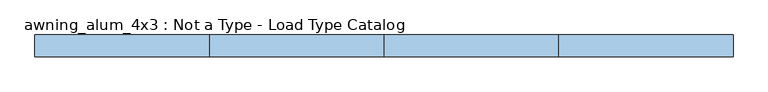
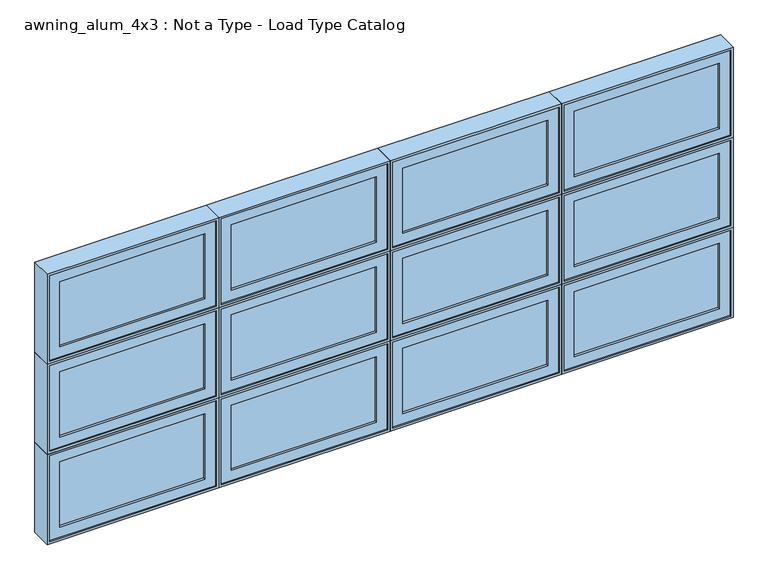
"""IFC4 building model written with IfcOpenShell, lengths in millimetres: window geometry, awning_alum_4x3 : Not a Type - Load Type Catalog."""

from ifc_helpers import new_model, si_unit, frame, origin, place, context, project, spatial, polyline, outline, extrude, faceted_brep, source, transform, mapped, element, save


def awning_alum_4x3_not_a_type_load_type_catalog_3d29223f(model_context):
    return source(origin(), model_context, "Body", "SolidModel", [
        faceted_brep([(140.1218234, -42.8625, 1943.1), (-748.8781766, -42.8625, 1943.1), (-748.8781766, -93.6625, 1943.1), (140.1218234, -93.6625, 1943.1), (121.0718234, 20.6375, 1962.15), (-729.8281766, 20.6375, 1962.15), (-729.8281766, -42.8625, 1962.15), (121.0718234, -42.8625, 1962.15), (152.8218234, -93.6625, 1930.4), (-761.5781766, -93.6625, 1930.4), (-761.5781766, 20.6375, 1930.4), (152.8218234, 20.6375, 1930.4), (-748.8781766, -42.8625, 2425.7), (-748.8781766, -93.6625, 2425.7), (-729.8281766, 20.6375, 2406.65), (-729.8281766, -42.8625, 2406.65), (-761.5781766, -93.6625, 2438.4), (-761.5781766, 20.6375, 2438.4), (140.1218234, -42.8625, 2425.7), (140.1218234, -93.6625, 2425.7), (121.0718234, 20.6375, 2406.65), (121.0718234, -42.8625, 2406.65), (152.8218234, -93.6625, 2438.4), (152.8218234, 20.6375, 2438.4)], [[[0, 1, 2, 3]], [[4, 5, 6, 7]], [[8, 9, 10, 11]], [[1, 12, 13, 2]], [[5, 14, 15, 6]], [[9, 16, 17, 10]], [[12, 18, 19, 13]], [[14, 20, 21, 15]], [[16, 22, 23, 17]], [[9, 8, 22, 16], [3, 2, 13, 19]], [[18, 0, 3, 19]], [[1, 0, 18, 12], [7, 6, 15, 21]], [[20, 4, 7, 21]], [[11, 10, 17, 23], [5, 4, 20, 14]], [[22, 8, 11, 23]]]),
        extrude(outline(polyline([(82.9718234, -74.6125), (-691.7281766, -74.6125), (-691.7281766, -68.2625), (82.9718234, -68.2625), (82.9718234, -74.6125)])), frame((0.0, 0.0, 2000.25), z_axis=(0.0, 0.0, 1.0), x_axis=(1.0, 0.0, 0.0)), (0.0, 0.0, 1.0), 368.3),
        extrude(outline(polyline([(82.9718234, -61.9125), (-691.7281766, -61.9125), (-691.7281766, -55.5625), (82.9718234, -55.5625), (82.9718234, -61.9125)])), frame((0.0, 0.0, 2000.25), z_axis=(0.0, 0.0, 1.0), x_axis=(1.0, 0.0, 0.0)), (0.0, 0.0, 1.0), 368.3),
        extrude(outline(polyline([(2425.7, -748.8781766), (1943.1, -748.8781766), (1943.1, 140.1218234), (2425.7, 140.1218234), (2425.7, -748.8781766)]), holes=[polyline([(2000.25, -691.7281766), (2368.55, -691.7281766), (2368.55, 82.9718234), (2000.25, 82.9718234), (2000.25, -691.7281766)])]), frame((0.0, -87.3125, 0.0), z_axis=(0.0, 1.0, 0.0), x_axis=(0.0, 0.0, 1.0)), (0.0, 0.0, 1.0), 44.45),
        faceted_brep([(140.1218234, -42.8625, 1435.1), (-748.8781766, -42.8625, 1435.1), (-748.8781766, -93.6625, 1435.1), (140.1218234, -93.6625, 1435.1), (121.0718234, 20.6375, 1454.15), (-729.8281766, 20.6375, 1454.15), (-729.8281766, -42.8625, 1454.15), (121.0718234, -42.8625, 1454.15), (152.8218234, -93.6625, 1422.4), (-761.5781766, -93.6625, 1422.4), (-761.5781766, 20.6375, 1422.4), (152.8218234, 20.6375, 1422.4), (-748.8781766, -42.8625, 1917.7), (-748.8781766, -93.6625, 1917.7), (-729.8281766, 20.6375, 1898.65), (-729.8281766, -42.8625, 1898.65), (-761.5781766, -93.6625, 1930.4), (-761.5781766, 20.6375, 1930.4), (140.1218234, -42.8625, 1917.7), (140.1218234, -93.6625, 1917.7), (121.0718234, 20.6375, 1898.65), (121.0718234, -42.8625, 1898.65), (152.8218234, -93.6625, 1930.4), (152.8218234, 20.6375, 1930.4)], [[[0, 1, 2, 3]], [[4, 5, 6, 7]], [[8, 9, 10, 11]], [[1, 12, 13, 2]], [[5, 14, 15, 6]], [[9, 16, 17, 10]], [[12, 18, 19, 13]], [[14, 20, 21, 15]], [[16, 22, 23, 17]], [[9, 8, 22, 16], [3, 2, 13, 19]], [[18, 0, 3, 19]], [[1, 0, 18, 12], [7, 6, 15, 21]], [[20, 4, 7, 21]], [[11, 10, 17, 23], [5, 4, 20, 14]], [[22, 8, 11, 23]]]),
        extrude(outline(polyline([(82.9718234, -74.6125), (-691.7281766, -74.6125), (-691.7281766, -68.2625), (82.9718234, -68.2625), (82.9718234, -74.6125)])), frame((0.0, 0.0, 1492.25), z_axis=(0.0, 0.0, 1.0), x_axis=(1.0, 0.0, 0.0)), (0.0, 0.0, 1.0), 368.3),
        extrude(outline(polyline([(82.9718234, -61.9125), (-691.7281766, -61.9125), (-691.7281766, -55.5625), (82.9718234, -55.5625), (82.9718234, -61.9125)])), frame((0.0, 0.0, 1492.25), z_axis=(0.0, 0.0, 1.0), x_axis=(1.0, 0.0, 0.0)), (0.0, 0.0, 1.0), 368.3),
        extrude(outline(polyline([(1917.7, -748.8781766), (1435.1, -748.8781766), (1435.1, 140.1218234), (1917.7, 140.1218234), (1917.7, -748.8781766)]), holes=[polyline([(1492.25, -691.7281766), (1860.55, -691.7281766), (1860.55, 82.9718234), (1492.25, 82.9718234), (1492.25, -691.7281766)])]), frame((0.0, -87.3125, 0.0), z_axis=(0.0, 1.0, 0.0), x_axis=(0.0, 0.0, 1.0)), (0.0, 0.0, 1.0), 44.45),
        faceted_brep([(140.1218234, -42.8625, 927.1), (-748.8781766, -42.8625, 927.1), (-748.8781766, -93.6625, 927.1), (140.1218234, -93.6625, 927.1), (121.0718234, 20.6375, 946.15), (-729.8281766, 20.6375, 946.15), (-729.8281766, -42.8625, 946.15), (121.0718234, -42.8625, 946.15), (152.8218234, -93.6625, 914.4), (-761.5781766, -93.6625, 914.4), (-761.5781766, 20.6375, 914.4), (152.8218234, 20.6375, 914.4), (-748.8781766, -42.8625, 1409.7), (-748.8781766, -93.6625, 1409.7), (-729.8281766, 20.6375, 1390.65), (-729.8281766, -42.8625, 1390.65), (-761.5781766, -93.6625, 1422.4), (-761.5781766, 20.6375, 1422.4), (140.1218234, -42.8625, 1409.7), (140.1218234, -93.6625, 1409.7), (121.0718234, 20.6375, 1390.65), (121.0718234, -42.8625, 1390.65), (152.8218234, -93.6625, 1422.4), (152.8218234, 20.6375, 1422.4)], [[[0, 1, 2, 3]], [[4, 5, 6, 7]], [[8, 9, 10, 11]], [[1, 12, 13, 2]], [[5, 14, 15, 6]], [[9, 16, 17, 10]], [[12, 18, 19, 13]], [[14, 20, 21, 15]], [[16, 22, 23, 17]], [[9, 8, 22, 16], [3, 2, 13, 19]], [[18, 0, 3, 19]], [[1, 0, 18, 12], [7, 6, 15, 21]], [[20, 4, 7, 21]], [[11, 10, 17, 23], [5, 4, 20, 14]], [[22, 8, 11, 23]]]),
        extrude(outline(polyline([(82.9718234, -74.6125), (-691.7281766, -74.6125), (-691.7281766, -68.2625), (82.9718234, -68.2625), (82.9718234, -74.6125)])), frame((0.0, 0.0, 984.25), z_axis=(0.0, 0.0, 1.0), x_axis=(1.0, 0.0, 0.0)), (0.0, 0.0, 1.0), 368.3),
        extrude(outline(polyline([(82.9718234, -61.9125), (-691.7281766, -61.9125), (-691.7281766, -55.5625), (82.9718234, -55.5625), (82.9718234, -61.9125)])), frame((0.0, 0.0, 984.25), z_axis=(0.0, 0.0, 1.0), x_axis=(1.0, 0.0, 0.0)), (0.0, 0.0, 1.0), 368.3),
        extrude(outline(polyline([(1409.7, -748.8781766), (927.1, -748.8781766), (927.1, 140.1218234), (1409.7, 140.1218234), (1409.7, -748.8781766)]), holes=[polyline([(984.25, -691.7281766), (1352.55, -691.7281766), (1352.55, 82.9718234), (984.25, 82.9718234), (984.25, -691.7281766)])]), frame((0.0, -87.3125, 0.0), z_axis=(0.0, 1.0, 0.0), x_axis=(0.0, 0.0, 1.0)), (0.0, 0.0, 1.0), 44.45),
        faceted_brep([(-774.2781766, -42.8625, 1943.1), (-1663.2781766, -42.8625, 1943.1), (-1663.2781766, -93.6625, 1943.1), (-774.2781766, -93.6625, 1943.1), (-793.3281766, 20.6375, 1962.15), (-1644.2281766, 20.6375, 1962.15), (-1644.2281766, -42.8625, 1962.15), (-793.3281766, -42.8625, 1962.15), (-761.5781766, -93.6625, 1930.4), (-1675.9781766, -93.6625, 1930.4), (-1675.9781766, 20.6375, 1930.4), (-761.5781766, 20.6375, 1930.4), (-1663.2781766, -42.8625, 2425.7), (-1663.2781766, -93.6625, 2425.7), (-1644.2281766, 20.6375, 2406.65), (-1644.2281766, -42.8625, 2406.65), (-1675.9781766, -93.6625, 2438.4), (-1675.9781766, 20.6375, 2438.4), (-774.2781766, -42.8625, 2425.7), (-774.2781766, -93.6625, 2425.7), (-793.3281766, 20.6375, 2406.65), (-793.3281766, -42.8625, 2406.65), (-761.5781766, -93.6625, 2438.4), (-761.5781766, 20.6375, 2438.4)], [[[0, 1, 2, 3]], [[4, 5, 6, 7]], [[8, 9, 10, 11]], [[1, 12, 13, 2]], [[5, 14, 15, 6]], [[9, 16, 17, 10]], [[12, 18, 19, 13]], [[14, 20, 21, 15]], [[16, 22, 23, 17]], [[9, 8, 22, 16], [3, 2, 13, 19]], [[18, 0, 3, 19]], [[1, 0, 18, 12], [7, 6, 15, 21]], [[20, 4, 7, 21]], [[11, 10, 17, 23], [5, 4, 20, 14]], [[22, 8, 11, 23]]]),
        extrude(outline(polyline([(-831.4281766, -74.6125), (-1606.1281766, -74.6125), (-1606.1281766, -68.2625), (-831.4281766, -68.2625), (-831.4281766, -74.6125)])), frame((0.0, 0.0, 2000.25), z_axis=(0.0, 0.0, 1.0), x_axis=(1.0, 0.0, 0.0)), (0.0, 0.0, 1.0), 368.3),
        extrude(outline(polyline([(-831.4281766, -61.9125), (-1606.1281766, -61.9125), (-1606.1281766, -55.5625), (-831.4281766, -55.5625), (-831.4281766, -61.9125)])), frame((0.0, 0.0, 2000.25), z_axis=(0.0, 0.0, 1.0), x_axis=(1.0, 0.0, 0.0)), (0.0, 0.0, 1.0), 368.3),
        extrude(outline(polyline([(2425.7, -1663.2781766), (1943.1, -1663.2781766), (1943.1, -774.2781766), (2425.7, -774.2781766), (2425.7, -1663.2781766)]), holes=[polyline([(2000.25, -1606.1281766), (2368.55, -1606.1281766), (2368.55, -831.4281766), (2000.25, -831.4281766), (2000.25, -1606.1281766)])]), frame((0.0, -87.3125, 0.0), z_axis=(0.0, 1.0, 0.0), x_axis=(0.0, 0.0, 1.0)), (0.0, 0.0, 1.0), 44.45),
        faceted_brep([(-774.2781766, -42.8625, 1435.1), (-1663.2781766, -42.8625, 1435.1), (-1663.2781766, -93.6625, 1435.1), (-774.2781766, -93.6625, 1435.1), (-793.3281766, 20.6375, 1454.15), (-1644.2281766, 20.6375, 1454.15), (-1644.2281766, -42.8625, 1454.15), (-793.3281766, -42.8625, 1454.15), (-761.5781766, -93.6625, 1422.4), (-1675.9781766, -93.6625, 1422.4), (-1675.9781766, 20.6375, 1422.4), (-761.5781766, 20.6375, 1422.4), (-1663.2781766, -42.8625, 1917.7), (-1663.2781766, -93.6625, 1917.7), (-1644.2281766, 20.6375, 1898.65), (-1644.2281766, -42.8625, 1898.65), (-1675.9781766, -93.6625, 1930.4), (-1675.9781766, 20.6375, 1930.4), (-774.2781766, -42.8625, 1917.7), (-774.2781766, -93.6625, 1917.7), (-793.3281766, 20.6375, 1898.65), (-793.3281766, -42.8625, 1898.65), (-761.5781766, -93.6625, 1930.4), (-761.5781766, 20.6375, 1930.4)], [[[0, 1, 2, 3]], [[4, 5, 6, 7]], [[8, 9, 10, 11]], [[1, 12, 13, 2]], [[5, 14, 15, 6]], [[9, 16, 17, 10]], [[12, 18, 19, 13]], [[14, 20, 21, 15]], [[16, 22, 23, 17]], [[9, 8, 22, 16], [3, 2, 13, 19]], [[18, 0, 3, 19]], [[1, 0, 18, 12], [7, 6, 15, 21]], [[20, 4, 7, 21]], [[11, 10, 17, 23], [5, 4, 20, 14]], [[22, 8, 11, 23]]]),
        extrude(outline(polyline([(-831.4281766, -74.6125), (-1606.1281766, -74.6125), (-1606.1281766, -68.2625), (-831.4281766, -68.2625), (-831.4281766, -74.6125)])), frame((0.0, 0.0, 1492.25), z_axis=(0.0, 0.0, 1.0), x_axis=(1.0, 0.0, 0.0)), (0.0, 0.0, 1.0), 368.3),
        extrude(outline(polyline([(-831.4281766, -61.9125), (-1606.1281766, -61.9125), (-1606.1281766, -55.5625), (-831.4281766, -55.5625), (-831.4281766, -61.9125)])), frame((0.0, 0.0, 1492.25), z_axis=(0.0, 0.0, 1.0), x_axis=(1.0, 0.0, 0.0)), (0.0, 0.0, 1.0), 368.3),
        extrude(outline(polyline([(1917.7, -1663.2781766), (1435.1, -1663.2781766), (1435.1, -774.2781766), (1917.7, -774.2781766), (1917.7, -1663.2781766)]), holes=[polyline([(1492.25, -1606.1281766), (1860.55, -1606.1281766), (1860.55, -831.4281766), (1492.25, -831.4281766), (1492.25, -1606.1281766)])]), frame((0.0, -87.3125, 0.0), z_axis=(0.0, 1.0, 0.0), x_axis=(0.0, 0.0, 1.0)), (0.0, 0.0, 1.0), 44.45),
        faceted_brep([(-774.2781766, -42.8625, 927.1), (-1663.2781766, -42.8625, 927.1), (-1663.2781766, -93.6625, 927.1), (-774.2781766, -93.6625, 927.1), (-793.3281766, 20.6375, 946.15), (-1644.2281766, 20.6375, 946.15), (-1644.2281766, -42.8625, 946.15), (-793.3281766, -42.8625, 946.15), (-761.5781766, -93.6625, 914.4), (-1675.9781766, -93.6625, 914.4), (-1675.9781766, 20.6375, 914.4), (-761.5781766, 20.6375, 914.4), (-1663.2781766, -42.8625, 1409.7), (-1663.2781766, -93.6625, 1409.7), (-1644.2281766, 20.6375, 1390.65), (-1644.2281766, -42.8625, 1390.65), (-1675.9781766, -93.6625, 1422.4), (-1675.9781766, 20.6375, 1422.4), (-774.2781766, -42.8625, 1409.7), (-774.2781766, -93.6625, 1409.7), (-793.3281766, 20.6375, 1390.65), (-793.3281766, -42.8625, 1390.65), (-761.5781766, -93.6625, 1422.4), (-761.5781766, 20.6375, 1422.4)], [[[0, 1, 2, 3]], [[4, 5, 6, 7]], [[8, 9, 10, 11]], [[1, 12, 13, 2]], [[5, 14, 15, 6]], [[9, 16, 17, 10]], [[12, 18, 19, 13]], [[14, 20, 21, 15]], [[16, 22, 23, 17]], [[9, 8, 22, 16], [3, 2, 13, 19]], [[18, 0, 3, 19]], [[1, 0, 18, 12], [7, 6, 15, 21]], [[20, 4, 7, 21]], [[11, 10, 17, 23], [5, 4, 20, 14]], [[22, 8, 11, 23]]]),
        extrude(outline(polyline([(-831.4281766, -74.6125), (-1606.1281766, -74.6125), (-1606.1281766, -68.2625), (-831.4281766, -68.2625), (-831.4281766, -74.6125)])), frame((0.0, 0.0, 984.25), z_axis=(0.0, 0.0, 1.0), x_axis=(1.0, 0.0, 0.0)), (0.0, 0.0, 1.0), 368.3),
        extrude(outline(polyline([(-831.4281766, -61.9125), (-1606.1281766, -61.9125), (-1606.1281766, -55.5625), (-831.4281766, -55.5625), (-831.4281766, -61.9125)])), frame((0.0, 0.0, 984.25), z_axis=(0.0, 0.0, 1.0), x_axis=(1.0, 0.0, 0.0)), (0.0, 0.0, 1.0), 368.3),
        extrude(outline(polyline([(1409.7, -1663.2781766), (927.1, -1663.2781766), (927.1, -774.2781766), (1409.7, -774.2781766), (1409.7, -1663.2781766)]), holes=[polyline([(984.25, -1606.1281766), (1352.55, -1606.1281766), (1352.55, -831.4281766), (984.25, -831.4281766), (984.25, -1606.1281766)])]), frame((0.0, -87.3125, 0.0), z_axis=(0.0, 1.0, 0.0), x_axis=(0.0, 0.0, 1.0)), (0.0, 0.0, 1.0), 44.45),
        faceted_brep([(-2603.0781766, -42.8625, 1943.1), (-3492.0781766, -42.8625, 1943.1), (-3492.0781766, -93.6625, 1943.1), (-2603.0781766, -93.6625, 1943.1), (-2622.1281766, 20.6375, 1962.15), (-3473.0281766, 20.6375, 1962.15), (-3473.0281766, -42.8625, 1962.15), (-2622.1281766, -42.8625, 1962.15), (-2590.3781766, -93.6625, 1930.4), (-3504.7781766, -93.6625, 1930.4), (-3504.7781766, 20.6375, 1930.4), (-2590.3781766, 20.6375, 1930.4), (-3492.0781766, -42.8625, 2425.7), (-3492.0781766, -93.6625, 2425.7), (-3473.0281766, 20.6375, 2406.65), (-3473.0281766, -42.8625, 2406.65), (-3504.7781766, -93.6625, 2438.4), (-3504.7781766, 20.6375, 2438.4), (-2603.0781766, -42.8625, 2425.7), (-2603.0781766, -93.6625, 2425.7), (-2622.1281766, 20.6375, 2406.65), (-2622.1281766, -42.8625, 2406.65), (-2590.3781766, -93.6625, 2438.4), (-2590.3781766, 20.6375, 2438.4)], [[[0, 1, 2, 3]], [[4, 5, 6, 7]], [[8, 9, 10, 11]], [[1, 12, 13, 2]], [[5, 14, 15, 6]], [[9, 16, 17, 10]], [[12, 18, 19, 13]], [[14, 20, 21, 15]], [[16, 22, 23, 17]], [[9, 8, 22, 16], [3, 2, 13, 19]], [[18, 0, 3, 19]], [[1, 0, 18, 12], [7, 6, 15, 21]], [[20, 4, 7, 21]], [[11, 10, 17, 23], [5, 4, 20, 14]], [[22, 8, 11, 23]]]),
        extrude(outline(polyline([(-2660.2281766, -74.6125), (-3434.9281766, -74.6125), (-3434.9281766, -68.2625), (-2660.2281766, -68.2625), (-2660.2281766, -74.6125)])), frame((0.0, 0.0, 2000.25), z_axis=(0.0, 0.0, 1.0), x_axis=(1.0, 0.0, 0.0)), (0.0, 0.0, 1.0), 368.3),
        extrude(outline(polyline([(-2660.2281766, -61.9125), (-3434.9281766, -61.9125), (-3434.9281766, -55.5625), (-2660.2281766, -55.5625), (-2660.2281766, -61.9125)])), frame((0.0, 0.0, 2000.25), z_axis=(0.0, 0.0, 1.0), x_axis=(1.0, 0.0, 0.0)), (0.0, 0.0, 1.0), 368.3),
        extrude(outline(polyline([(2425.7, -3492.0781766), (1943.1, -3492.0781766), (1943.1, -2603.0781766), (2425.7, -2603.0781766), (2425.7, -3492.0781766)]), holes=[polyline([(2000.25, -3434.9281766), (2368.55, -3434.9281766), (2368.55, -2660.2281766), (2000.25, -2660.2281766), (2000.25, -3434.9281766)])]), frame((0.0, -87.3125, 0.0), z_axis=(0.0, 1.0, 0.0), x_axis=(0.0, 0.0, 1.0)), (0.0, 0.0, 1.0), 44.45),
        faceted_brep([(-2603.0781766, -42.8625, 1435.1), (-3492.0781766, -42.8625, 1435.1), (-3492.0781766, -93.6625, 1435.1), (-2603.0781766, -93.6625, 1435.1), (-2622.1281766, 20.6375, 1454.15), (-3473.0281766, 20.6375, 1454.15), (-3473.0281766, -42.8625, 1454.15), (-2622.1281766, -42.8625, 1454.15), (-2590.3781766, -93.6625, 1422.4), (-3504.7781766, -93.6625, 1422.4), (-3504.7781766, 20.6375, 1422.4), (-2590.3781766, 20.6375, 1422.4), (-3492.0781766, -42.8625, 1917.7), (-3492.0781766, -93.6625, 1917.7), (-3473.0281766, 20.6375, 1898.65), (-3473.0281766, -42.8625, 1898.65), (-3504.7781766, -93.6625, 1930.4), (-3504.7781766, 20.6375, 1930.4), (-2603.0781766, -42.8625, 1917.7), (-2603.0781766, -93.6625, 1917.7), (-2622.1281766, 20.6375, 1898.65), (-2622.1281766, -42.8625, 1898.65), (-2590.3781766, -93.6625, 1930.4), (-2590.3781766, 20.6375, 1930.4)], [[[0, 1, 2, 3]], [[4, 5, 6, 7]], [[8, 9, 10, 11]], [[1, 12, 13, 2]], [[5, 14, 15, 6]], [[9, 16, 17, 10]], [[12, 18, 19, 13]], [[14, 20, 21, 15]], [[16, 22, 23, 17]], [[9, 8, 22, 16], [3, 2, 13, 19]], [[18, 0, 3, 19]], [[1, 0, 18, 12], [7, 6, 15, 21]], [[20, 4, 7, 21]], [[11, 10, 17, 23], [5, 4, 20, 14]], [[22, 8, 11, 23]]]),
        extrude(outline(polyline([(-2660.2281766, -74.6125), (-3434.9281766, -74.6125), (-3434.9281766, -68.2625), (-2660.2281766, -68.2625), (-2660.2281766, -74.6125)])), frame((0.0, 0.0, 1492.25), z_axis=(0.0, 0.0, 1.0), x_axis=(1.0, 0.0, 0.0)), (0.0, 0.0, 1.0), 368.3),
        extrude(outline(polyline([(-2660.2281766, -61.9125), (-3434.9281766, -61.9125), (-3434.9281766, -55.5625), (-2660.2281766, -55.5625), (-2660.2281766, -61.9125)])), frame((0.0, 0.0, 1492.25), z_axis=(0.0, 0.0, 1.0), x_axis=(1.0, 0.0, 0.0)), (0.0, 0.0, 1.0), 368.3),
        extrude(outline(polyline([(1917.7, -3492.0781766), (1435.1, -3492.0781766), (1435.1, -2603.0781766), (1917.7, -2603.0781766), (1917.7, -3492.0781766)]), holes=[polyline([(1492.25, -3434.9281766), (1860.55, -3434.9281766), (1860.55, -2660.2281766), (1492.25, -2660.2281766), (1492.25, -3434.9281766)])]), frame((0.0, -87.3125, 0.0), z_axis=(0.0, 1.0, 0.0), x_axis=(0.0, 0.0, 1.0)), (0.0, 0.0, 1.0), 44.45),
        faceted_brep([(-2603.0781766, -42.8625, 927.1), (-3492.0781766, -42.8625, 927.1), (-3492.0781766, -93.6625, 927.1), (-2603.0781766, -93.6625, 927.1), (-2622.1281766, 20.6375, 946.15), (-3473.0281766, 20.6375, 946.15), (-3473.0281766, -42.8625, 946.15), (-2622.1281766, -42.8625, 946.15), (-2590.3781766, -93.6625, 914.4), (-3504.7781766, -93.6625, 914.4), (-3504.7781766, 20.6375, 914.4), (-2590.3781766, 20.6375, 914.4), (-3492.0781766, -42.8625, 1409.7), (-3492.0781766, -93.6625, 1409.7), (-3473.0281766, 20.6375, 1390.65), (-3473.0281766, -42.8625, 1390.65), (-3504.7781766, -93.6625, 1422.4), (-3504.7781766, 20.6375, 1422.4), (-2603.0781766, -42.8625, 1409.7), (-2603.0781766, -93.6625, 1409.7), (-2622.1281766, 20.6375, 1390.65), (-2622.1281766, -42.8625, 1390.65), (-2590.3781766, -93.6625, 1422.4), (-2590.3781766, 20.6375, 1422.4)], [[[0, 1, 2, 3]], [[4, 5, 6, 7]], [[8, 9, 10, 11]], [[1, 12, 13, 2]], [[5, 14, 15, 6]], [[9, 16, 17, 10]], [[12, 18, 19, 13]], [[14, 20, 21, 15]], [[16, 22, 23, 17]], [[9, 8, 22, 16], [3, 2, 13, 19]], [[18, 0, 3, 19]], [[1, 0, 18, 12], [7, 6, 15, 21]], [[20, 4, 7, 21]], [[11, 10, 17, 23], [5, 4, 20, 14]], [[22, 8, 11, 23]]]),
        extrude(outline(polyline([(-2660.2281766, -74.6125), (-3434.9281766, -74.6125), (-3434.9281766, -68.2625), (-2660.2281766, -68.2625), (-2660.2281766, -74.6125)])), frame((0.0, 0.0, 984.25), z_axis=(0.0, 0.0, 1.0), x_axis=(1.0, 0.0, 0.0)), (0.0, 0.0, 1.0), 368.3),
        extrude(outline(polyline([(-2660.2281766, -61.9125), (-3434.9281766, -61.9125), (-3434.9281766, -55.5625), (-2660.2281766, -55.5625), (-2660.2281766, -61.9125)])), frame((0.0, 0.0, 984.25), z_axis=(0.0, 0.0, 1.0), x_axis=(1.0, 0.0, 0.0)), (0.0, 0.0, 1.0), 368.3),
        extrude(outline(polyline([(1409.7, -3492.0781766), (927.1, -3492.0781766), (927.1, -2603.0781766), (1409.7, -2603.0781766), (1409.7, -3492.0781766)]), holes=[polyline([(984.25, -3434.9281766), (1352.55, -3434.9281766), (1352.55, -2660.2281766), (984.25, -2660.2281766), (984.25, -3434.9281766)])]), frame((0.0, -87.3125, 0.0), z_axis=(0.0, 1.0, 0.0), x_axis=(0.0, 0.0, 1.0)), (0.0, 0.0, 1.0), 44.45),
        faceted_brep([(-2577.6781766, -42.8625, 1943.1), (-2577.6781766, -93.6625, 1943.1), (-1688.6781766, -93.6625, 1943.1), (-1688.6781766, -42.8625, 1943.1), (-2558.6281766, 20.6375, 1962.15), (-2558.6281766, -42.8625, 1962.15), (-1707.7281766, -42.8625, 1962.15), (-1707.7281766, 20.6375, 1962.15), (-2590.3781766, -93.6625, 1930.4), (-2590.3781766, 20.6375, 1930.4), (-1675.9781766, 20.6375, 1930.4), (-1675.9781766, -93.6625, 1930.4), (-1688.6781766, -93.6625, 2425.7), (-1688.6781766, -42.8625, 2425.7), (-1707.7281766, -42.8625, 2406.65), (-1707.7281766, 20.6375, 2406.65), (-1675.9781766, 20.6375, 2438.4), (-1675.9781766, -93.6625, 2438.4), (-2577.6781766, -93.6625, 2425.7), (-2577.6781766, -42.8625, 2425.7), (-2558.6281766, -42.8625, 2406.65), (-2558.6281766, 20.6375, 2406.65), (-2590.3781766, 20.6375, 2438.4), (-2590.3781766, -93.6625, 2438.4)], [[[0, 1, 2, 3]], [[4, 5, 6, 7]], [[8, 9, 10, 11]], [[3, 2, 12, 13]], [[7, 6, 14, 15]], [[11, 10, 16, 17]], [[13, 12, 18, 19]], [[15, 14, 20, 21]], [[17, 16, 22, 23]], [[11, 17, 23, 8], [1, 18, 12, 2]], [[19, 18, 1, 0]], [[3, 13, 19, 0], [5, 20, 14, 6]], [[21, 20, 5, 4]], [[9, 22, 16, 10], [7, 15, 21, 4]], [[23, 22, 9, 8]]]),
        extrude(outline(polyline([(-2520.5281766, -74.6125), (-2520.5281766, -68.2625), (-1745.8281766, -68.2625), (-1745.8281766, -74.6125), (-2520.5281766, -74.6125)])), frame((0.0, 0.0, 2000.25), z_axis=(0.0, 0.0, 1.0), x_axis=(1.0, 0.0, 0.0)), (0.0, 0.0, 1.0), 368.3),
        extrude(outline(polyline([(-2520.5281766, -61.9125), (-2520.5281766, -55.5625), (-1745.8281766, -55.5625), (-1745.8281766, -61.9125), (-2520.5281766, -61.9125)])), frame((0.0, 0.0, 2000.25), z_axis=(0.0, 0.0, 1.0), x_axis=(1.0, 0.0, 0.0)), (0.0, 0.0, 1.0), 368.3),
        extrude(outline(polyline([(2425.7, -1688.6781766), (2425.7, -2577.6781766), (1943.1, -2577.6781766), (1943.1, -1688.6781766), (2425.7, -1688.6781766)]), holes=[polyline([(2000.25, -1745.8281766), (2000.25, -2520.5281766), (2368.55, -2520.5281766), (2368.55, -1745.8281766), (2000.25, -1745.8281766)])]), frame((0.0, -87.3125, 0.0), z_axis=(0.0, 1.0, 0.0), x_axis=(0.0, 0.0, 1.0)), (0.0, 0.0, 1.0), 44.45),
        faceted_brep([(-2577.6781766, -42.8625, 1435.1), (-2577.6781766, -93.6625, 1435.1), (-1688.6781766, -93.6625, 1435.1), (-1688.6781766, -42.8625, 1435.1), (-2558.6281766, 20.6375, 1454.15), (-2558.6281766, -42.8625, 1454.15), (-1707.7281766, -42.8625, 1454.15), (-1707.7281766, 20.6375, 1454.15), (-2590.3781766, -93.6625, 1422.4), (-2590.3781766, 20.6375, 1422.4), (-1675.9781766, 20.6375, 1422.4), (-1675.9781766, -93.6625, 1422.4), (-1688.6781766, -93.6625, 1917.7), (-1688.6781766, -42.8625, 1917.7), (-1707.7281766, -42.8625, 1898.65), (-1707.7281766, 20.6375, 1898.65), (-1675.9781766, 20.6375, 1930.4), (-1675.9781766, -93.6625, 1930.4), (-2577.6781766, -93.6625, 1917.7), (-2577.6781766, -42.8625, 1917.7), (-2558.6281766, -42.8625, 1898.65), (-2558.6281766, 20.6375, 1898.65), (-2590.3781766, 20.6375, 1930.4), (-2590.3781766, -93.6625, 1930.4)], [[[0, 1, 2, 3]], [[4, 5, 6, 7]], [[8, 9, 10, 11]], [[3, 2, 12, 13]], [[7, 6, 14, 15]], [[11, 10, 16, 17]], [[13, 12, 18, 19]], [[15, 14, 20, 21]], [[17, 16, 22, 23]], [[11, 17, 23, 8], [1, 18, 12, 2]], [[19, 18, 1, 0]], [[3, 13, 19, 0], [5, 20, 14, 6]], [[21, 20, 5, 4]], [[9, 22, 16, 10], [7, 15, 21, 4]], [[23, 22, 9, 8]]]),
        extrude(outline(polyline([(-2520.5281766, -74.6125), (-2520.5281766, -68.2625), (-1745.8281766, -68.2625), (-1745.8281766, -74.6125), (-2520.5281766, -74.6125)])), frame((0.0, 0.0, 1492.25), z_axis=(0.0, 0.0, 1.0), x_axis=(1.0, 0.0, 0.0)), (0.0, 0.0, 1.0), 368.3),
        extrude(outline(polyline([(-2520.5281766, -61.9125), (-2520.5281766, -55.5625), (-1745.8281766, -55.5625), (-1745.8281766, -61.9125), (-2520.5281766, -61.9125)])), frame((0.0, 0.0, 1492.25), z_axis=(0.0, 0.0, 1.0), x_axis=(1.0, 0.0, 0.0)), (0.0, 0.0, 1.0), 368.3),
        extrude(outline(polyline([(1917.7, -1688.6781766), (1917.7, -2577.6781766), (1435.1, -2577.6781766), (1435.1, -1688.6781766), (1917.7, -1688.6781766)]), holes=[polyline([(1492.25, -1745.8281766), (1492.25, -2520.5281766), (1860.55, -2520.5281766), (1860.55, -1745.8281766), (1492.25, -1745.8281766)])]), frame((0.0, -87.3125, 0.0), z_axis=(0.0, 1.0, 0.0), x_axis=(0.0, 0.0, 1.0)), (0.0, 0.0, 1.0), 44.45),
        faceted_brep([(-2577.6781766, -42.8625, 927.1), (-2577.6781766, -93.6625, 927.1), (-1688.6781766, -93.6625, 927.1), (-1688.6781766, -42.8625, 927.1), (-2558.6281766, 20.6375, 946.15), (-2558.6281766, -42.8625, 946.15), (-1707.7281766, -42.8625, 946.15), (-1707.7281766, 20.6375, 946.15), (-2590.3781766, -93.6625, 914.4), (-2590.3781766, 20.6375, 914.4), (-1675.9781766, 20.6375, 914.4), (-1675.9781766, -93.6625, 914.4), (-1688.6781766, -93.6625, 1409.7), (-1688.6781766, -42.8625, 1409.7), (-1707.7281766, -42.8625, 1390.65), (-1707.7281766, 20.6375, 1390.65), (-1675.9781766, 20.6375, 1422.4), (-1675.9781766, -93.6625, 1422.4), (-2577.6781766, -93.6625, 1409.7), (-2577.6781766, -42.8625, 1409.7), (-2558.6281766, -42.8625, 1390.65), (-2558.6281766, 20.6375, 1390.65), (-2590.3781766, 20.6375, 1422.4), (-2590.3781766, -93.6625, 1422.4)], [[[0, 1, 2, 3]], [[4, 5, 6, 7]], [[8, 9, 10, 11]], [[3, 2, 12, 13]], [[7, 6, 14, 15]], [[11, 10, 16, 17]], [[13, 12, 18, 19]], [[15, 14, 20, 21]], [[17, 16, 22, 23]], [[11, 17, 23, 8], [1, 18, 12, 2]], [[19, 18, 1, 0]], [[3, 13, 19, 0], [5, 20, 14, 6]], [[21, 20, 5, 4]], [[9, 22, 16, 10], [7, 15, 21, 4]], [[23, 22, 9, 8]]]),
        extrude(outline(polyline([(-2520.5281766, -74.6125), (-2520.5281766, -68.2625), (-1745.8281766, -68.2625), (-1745.8281766, -74.6125), (-2520.5281766, -74.6125)])), frame((0.0, 0.0, 984.25), z_axis=(0.0, 0.0, 1.0), x_axis=(1.0, 0.0, 0.0)), (0.0, 0.0, 1.0), 368.3),
        extrude(outline(polyline([(-2520.5281766, -61.9125), (-2520.5281766, -55.5625), (-1745.8281766, -55.5625), (-1745.8281766, -61.9125), (-2520.5281766, -61.9125)])), frame((0.0, 0.0, 984.25), z_axis=(0.0, 0.0, 1.0), x_axis=(1.0, 0.0, 0.0)), (0.0, 0.0, 1.0), 368.3),
        extrude(outline(polyline([(1409.7, -1688.6781766), (1409.7, -2577.6781766), (927.1, -2577.6781766), (927.1, -1688.6781766), (1409.7, -1688.6781766)]), holes=[polyline([(984.25, -1745.8281766), (984.25, -2520.5281766), (1352.55, -2520.5281766), (1352.55, -1745.8281766), (984.25, -1745.8281766)])]), frame((0.0, -87.3125, 0.0), z_axis=(0.0, 1.0, 0.0), x_axis=(0.0, 0.0, 1.0)), (0.0, 0.0, 1.0), 44.45),
    ])


if __name__ == "__main__":
    model = new_model("IFC4")
    model_context = context("Model", 3, world=origin())
    ifc_project = project(units=[si_unit("LENGTHUNIT", "METRE", prefix="MILLI")], contexts=[model_context])
    site = spatial("IfcSite", under=ifc_project)
    building = spatial("IfcBuilding", under=site)
    placement = place(None, origin())
    awning_alum_4x3_not_a_type_load_type_catalog_shape = awning_alum_4x3_not_a_type_load_type_catalog_3d29223f(model_context)
    element("IfcWindow", 1, ObjectType="awning_alum_4x3 : Not a Type - Load Type Catalog", at=placement, inside=building, context=model_context, shape_type="MappedRepresentation", body=[
        mapped(awning_alum_4x3_not_a_type_load_type_catalog_shape, transform((0.0, 0.0, 0.0), x_axis=(1.0, 0.0, 0.0), y_axis=(0.0, 1.0, 0.0), z_axis=(0.0, 0.0, 1.0))),
    ])
    save(model, "model.ifc")
